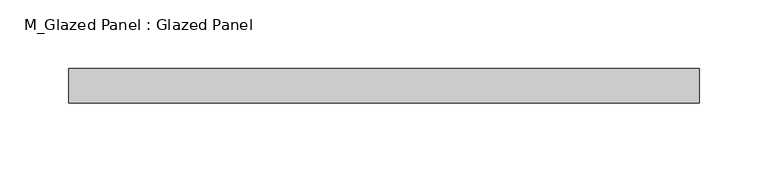
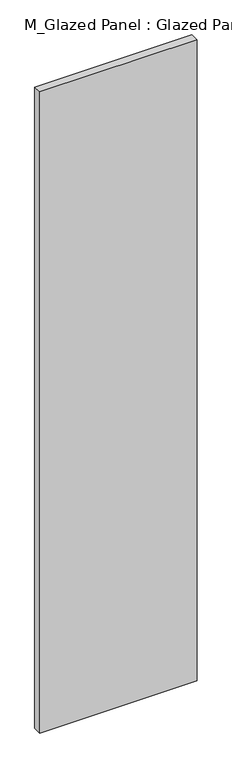
"""IFC4 building model written with IfcOpenShell, lengths in millimetres: plate geometry, M_Glazed Panel : Glazed Panel."""

from ifc_helpers import new_model, si_unit, origin, origin_with_axes, place, context, project, spatial, polyline, outline, extrude, source, transform, mapped, element, save


def m_glazed_panel_glazed_panel_7df94539(model_context):
    return source(origin(), model_context, "Body", "SweptSolid", [
        extrude(outline(polyline([(229.2342697, -38.5), (229.2342697, -63.5), (-229.2342697, -63.5), (-229.2342697, -38.5), (229.2342697, -38.5)])), origin_with_axes(), (0.0, 0.0, 1.0), 1975.0),
    ])


if __name__ == "__main__":
    model = new_model("IFC4")
    model_context = context("Model", 3, world=origin())
    ifc_project = project(units=[si_unit("LENGTHUNIT", "METRE", prefix="MILLI")], contexts=[model_context])
    site = spatial("IfcSite", under=ifc_project)
    building = spatial("IfcBuilding", under=site)
    placement = place(None, origin())
    m_glazed_panel_glazed_panel_shape = m_glazed_panel_glazed_panel_7df94539(model_context)
    element("IfcPlate", 1, ObjectType="M_Glazed Panel : Glazed Panel", at=placement, inside=building, context=model_context, shape_type="MappedRepresentation", body=[
        mapped(m_glazed_panel_glazed_panel_shape, transform((0.0, 0.0, 0.0), x_axis=(1.0, 0.0, 0.0), y_axis=(0.0, 1.0, 0.0), z_axis=(0.0, 0.0, 1.0))),
    ])
    save(model, "model.ifc")
